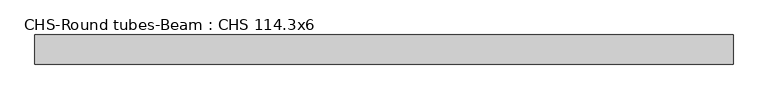
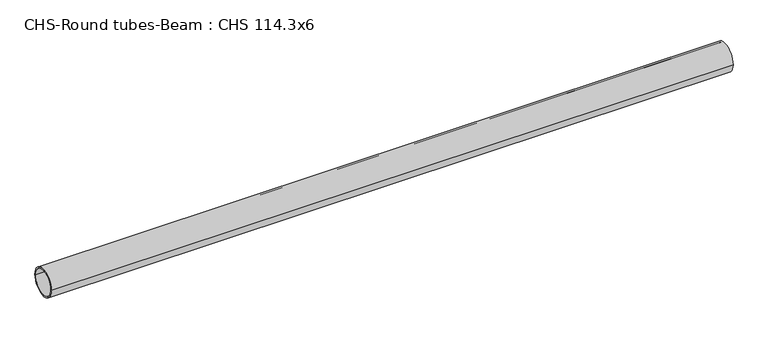
"""IFC4 building model written with IfcOpenShell, lengths in millimetres: beam geometry, CHS-Round tubes-Beam : CHS 114.3x6."""

from ifc_helpers import new_model, si_unit, point, frame, origin, origin_2d, place, context, project, spatial, circle_curve, trimmed, segment, composite_curve, outline, extrude, source, transform, mapped, element, save


def chs_round_tubes_beam_chs_114_3x6_a722038d(model_context):
    return source(origin(), model_context, "Body", "SweptSolid", [
        extrude(outline(composite_curve([segment(trimmed(circle_curve(origin_2d(), 57.15), [point((57.15, 0.0))], [point((-57.15, 0.0))], False, "CARTESIAN"), True, "CONTINUOUS"), segment(trimmed(circle_curve(origin_2d(), 57.15), [point((-57.15, 0.0))], [point((57.15, 0.0))], False, "CARTESIAN"), True, "CONTINUOUS")], self_intersect=False), holes=[composite_curve([segment(trimmed(circle_curve(origin_2d(), 51.15), [point((51.15, 0.0))], [point((-51.15, 0.0))], True, "CARTESIAN"), True, "CONTINUOUS"), segment(trimmed(circle_curve(origin_2d(), 51.15), [point((-51.15, 0.0))], [point((51.15, 0.0))], True, "CARTESIAN"), True, "CONTINUOUS")], self_intersect=False)]), frame((-1360.3530486, 0.0, 0.0), z_axis=(1.0, 0.0, 0.0), x_axis=(0.0, 1.0, 0.0)), (0.0, 0.0, 1.0), 2740.3105874),
    ])


if __name__ == "__main__":
    model = new_model("IFC4")
    model_context = context("Model", 3, world=origin())
    ifc_project = project(units=[si_unit("LENGTHUNIT", "METRE", prefix="MILLI")], contexts=[model_context])
    site = spatial("IfcSite", under=ifc_project)
    building = spatial("IfcBuilding", under=site)
    placement = place(None, origin())
    chs_round_tubes_beam_chs_114_3x6_shape = chs_round_tubes_beam_chs_114_3x6_a722038d(model_context)
    element("IfcBeam", 1, ObjectType="CHS-Round tubes-Beam : CHS 114.3x6", at=placement, inside=building, context=model_context, shape_type="MappedRepresentation", body=[
        mapped(chs_round_tubes_beam_chs_114_3x6_shape, transform((0.0, 0.0, 0.0), x_axis=(1.0, 0.0, 0.0), y_axis=(0.0, 1.0, 0.0), z_axis=(0.0, 0.0, 1.0))),
    ])
    save(model, "model.ifc")
